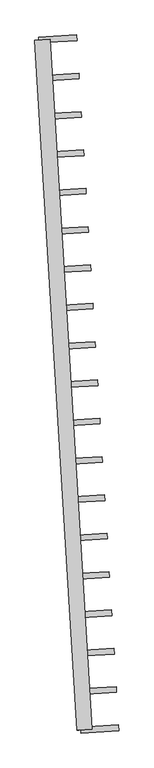
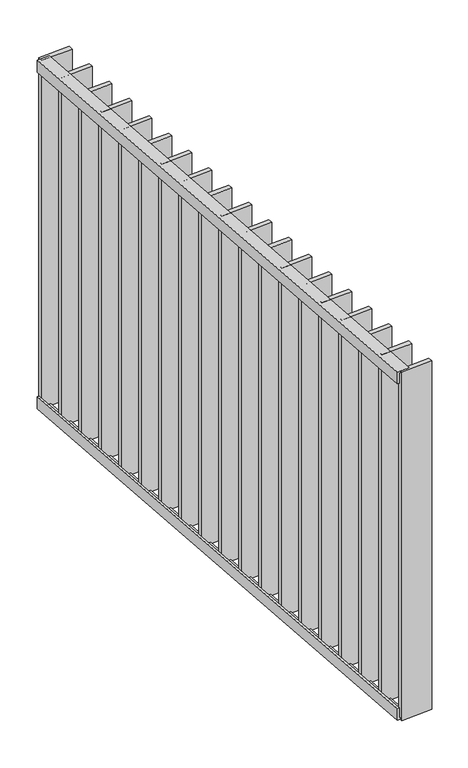
"""IFC4 building model written with IfcOpenShell, lengths in millimetres: railing geometry."""

from ifc_helpers import new_model, si_unit, frame, origin, place, context, project, spatial, polyline, outline, extrude, source, transform, mapped, element, save


def railing_f7475216(model_context):
    return source(origin(), model_context, "Body", "SweptSolid", [
        extrude(outline(polyline([(-14.0, 6.0), (19.9999999, 6.0), (19.9999999, 0.0), (-20.0, 0.0), (-20.0, 40.0), (-14.0, 40.0), (-14.0, 6.0)])), frame((30027.7447077, 21255.4757864, 8000.0), z_axis=(-0.06104853953738109, 0.9981347984217126, 0.0), x_axis=(0.9981347984217126, 0.06104853953738109, 0.0)), (0.0, 0.0, 1.0), 1810.0),
        extrude(outline(polyline([(-14.0, -6.0), (-14.0, -40.0), (-20.0, -40.0), (-20.0, 0.0), (19.9999999, 0.0), (19.9999999, -6.0), (-14.0, -6.0)])), frame((30027.7447077, 21255.4757864, 6820.0), z_axis=(-0.06104853953738109, 0.9981347984217126, 0.0), x_axis=(0.9981347984217126, 0.06104853953738109, 0.0)), (0.0, 0.0, 1.0), 1810.0),
        extrude(outline(polyline([(29913.862137, 22953.635276), (29912.9464089, 22968.607298), (30012.7598887, 22974.7121519), (30013.6756168, 22959.7401299), (29913.862137, 22953.635276)])), frame((0.0, 0.0, 6819.9), z_axis=(0.0, 0.0, 1.0), x_axis=(1.0, 0.0, 0.0)), (0.0, 0.0, 1.0), 1180.2),
        extrude(outline(polyline([(29920.0009068, 22853.2672768), (29919.0851787, 22868.2392988), (30018.8986585, 22874.3441528), (30019.8143866, 22859.3721308), (29920.0009068, 22853.2672768)])), frame((0.0, 0.0, 6819.9), z_axis=(0.0, 0.0, 1.0), x_axis=(1.0, 0.0, 0.0)), (0.0, 0.0, 1.0), 1180.2),
        extrude(outline(polyline([(29926.1396766, 22752.8992776), (29925.2239485, 22767.8712996), (30025.0374283, 22773.9761536), (30025.9531564, 22759.0041316), (29926.1396766, 22752.8992776)])), frame((0.0, 0.0, 6819.9), z_axis=(0.0, 0.0, 1.0), x_axis=(1.0, 0.0, 0.0)), (0.0, 0.0, 1.0), 1180.2),
        extrude(outline(polyline([(29932.2784464, 22652.5312785), (29931.3627183, 22667.5033004), (30031.1761981, 22673.6081544), (30032.0919262, 22658.6361324), (29932.2784464, 22652.5312785)])), frame((0.0, 0.0, 6819.9), z_axis=(0.0, 0.0, 1.0), x_axis=(1.0, 0.0, 0.0)), (0.0, 0.0, 1.0), 1180.2),
        extrude(outline(polyline([(29938.4172162, 22552.1632793), (29937.5014881, 22567.1353013), (30037.314968, 22573.2401552), (30038.230696, 22558.2681333), (29938.4172162, 22552.1632793)])), frame((0.0, 0.0, 6819.9), z_axis=(0.0, 0.0, 1.0), x_axis=(1.0, 0.0, 0.0)), (0.0, 0.0, 1.0), 1180.2),
        extrude(outline(polyline([(29944.555986, 22451.7952801), (29943.6402579, 22466.7673021), (30043.4537378, 22472.8721561), (30044.3694659, 22457.9001341), (29944.555986, 22451.7952801)])), frame((0.0, 0.0, 6819.9), z_axis=(0.0, 0.0, 1.0), x_axis=(1.0, 0.0, 0.0)), (0.0, 0.0, 1.0), 1180.2),
        extrude(outline(polyline([(29950.6947558, 22351.4272809), (29949.7790277, 22366.3993029), (30049.5925076, 22372.5041569), (30050.5082357, 22357.5321349), (29950.6947558, 22351.4272809)])), frame((0.0, 0.0, 6819.9), z_axis=(0.0, 0.0, 1.0), x_axis=(1.0, 0.0, 0.0)), (0.0, 0.0, 1.0), 1180.2),
        extrude(outline(polyline([(29956.8335256, 22251.0592818), (29955.9177975, 22266.0313037), (30055.7312774, 22272.1361577), (30056.6470055, 22257.1641357), (29956.8335256, 22251.0592818)])), frame((0.0, 0.0, 6819.9), z_axis=(0.0, 0.0, 1.0), x_axis=(1.0, 0.0, 0.0)), (0.0, 0.0, 1.0), 1180.2),
        extrude(outline(polyline([(29962.9722954, 22150.6912826), (29962.0565673, 22165.6633046), (30061.8700472, 22171.7681585), (30062.7857753, 22156.7961366), (29962.9722954, 22150.6912826)])), frame((0.0, 0.0, 6819.9), z_axis=(0.0, 0.0, 1.0), x_axis=(1.0, 0.0, 0.0)), (0.0, 0.0, 1.0), 1180.2),
        extrude(outline(polyline([(29969.1110652, 22050.3232834), (29968.1953372, 22065.2953054), (30068.008817, 22071.4001594), (30068.9245451, 22056.4281374), (29969.1110652, 22050.3232834)])), frame((0.0, 0.0, 6819.9), z_axis=(0.0, 0.0, 1.0), x_axis=(1.0, 0.0, 0.0)), (0.0, 0.0, 1.0), 1180.2),
        extrude(outline(polyline([(29975.2498351, 21949.9552842), (29974.334107, 21964.9273062), (30074.1475868, 21971.0321602), (30075.0633149, 21956.0601382), (29975.2498351, 21949.9552842)])), frame((0.0, 0.0, 6819.9), z_axis=(0.0, 0.0, 1.0), x_axis=(1.0, 0.0, 0.0)), (0.0, 0.0, 1.0), 1180.2),
        extrude(outline(polyline([(29981.3886049, 21849.5872851), (29980.4728768, 21864.559307), (30080.2863566, 21870.664161), (30081.2020847, 21855.692139), (29981.3886049, 21849.5872851)])), frame((0.0, 0.0, 6819.9), z_axis=(0.0, 0.0, 1.0), x_axis=(1.0, 0.0, 0.0)), (0.0, 0.0, 1.0), 1180.2),
        extrude(outline(polyline([(29987.5273747, 21749.2192859), (29986.6116466, 21764.1913079), (30086.4251264, 21770.2961618), (30087.3408545, 21755.3241399), (29987.5273747, 21749.2192859)])), frame((0.0, 0.0, 6819.9), z_axis=(0.0, 0.0, 1.0), x_axis=(1.0, 0.0, 0.0)), (0.0, 0.0, 1.0), 1180.2),
        extrude(outline(polyline([(29993.6661445, 21648.8512867), (29992.7504164, 21663.8233087), (30092.5638962, 21669.9281627), (30093.4796243, 21654.9561407), (29993.6661445, 21648.8512867)])), frame((0.0, 0.0, 6819.9), z_axis=(0.0, 0.0, 1.0), x_axis=(1.0, 0.0, 0.0)), (0.0, 0.0, 1.0), 1180.2),
        extrude(outline(polyline([(29999.8049143, 21548.4832875), (29998.8891862, 21563.4553095), (30098.702666, 21569.5601635), (30099.6183941, 21554.5881415), (29999.8049143, 21548.4832875)])), frame((0.0, 0.0, 6819.9), z_axis=(0.0, 0.0, 1.0), x_axis=(1.0, 0.0, 0.0)), (0.0, 0.0, 1.0), 1180.2),
        extrude(outline(polyline([(30005.9436841, 21448.1152884), (30005.027956, 21463.0873103), (30104.8414359, 21469.1921643), (30105.7571639, 21454.2201423), (30005.9436841, 21448.1152884)])), frame((0.0, 0.0, 6819.9), z_axis=(0.0, 0.0, 1.0), x_axis=(1.0, 0.0, 0.0)), (0.0, 0.0, 1.0), 1180.2),
        extrude(outline(polyline([(30012.0824539, 21347.7472892), (30011.1667258, 21362.7193112), (30110.9802057, 21368.8241651), (30111.8959338, 21353.8521432), (30012.0824539, 21347.7472892)])), frame((0.0, 0.0, 6819.9), z_axis=(0.0, 0.0, 1.0), x_axis=(1.0, 0.0, 0.0)), (0.0, 0.0, 1.0), 1180.2),
        extrude(outline(polyline([(29907.7233672, 23054.0032752), (29906.8076391, 23068.9752971), (30006.6211189, 23075.0801511), (30007.536847, 23060.1081291), (29907.7233672, 23054.0032752)])), frame((0.0, 0.0, 6819.9), z_axis=(0.0, 0.0, 1.0), x_axis=(1.0, 0.0, 0.0)), (0.0, 0.0, 1.0), 1180.2),
        extrude(outline(polyline([(30018.2212237, 21247.37929), (30017.3054956, 21262.351312), (30117.1189755, 21268.456166), (30118.0347036, 21253.484144), (30018.2212237, 21247.37929)])), frame((0.0, 0.0, 6819.9), z_axis=(0.0, 0.0, 1.0), x_axis=(1.0, 0.0, 0.0)), (0.0, 0.0, 1.0), 1180.2),
    ])


if __name__ == "__main__":
    model = new_model("IFC4")
    model_context = context("Model", 3, world=origin())
    ifc_project = project(units=[si_unit("LENGTHUNIT", "METRE", prefix="MILLI")], contexts=[model_context])
    site = spatial("IfcSite", under=ifc_project)
    building = spatial("IfcBuilding", under=site)
    placement = place(None, origin())
    railing_shape = railing_f7475216(model_context)
    element("IfcRailing", 1, at=placement, inside=building, context=model_context, shape_type="MappedRepresentation", body=[
        mapped(railing_shape, transform((0.0, 0.0, 0.0), x_axis=(1.0, 0.0, 0.0), y_axis=(0.0, 1.0, 0.0), z_axis=(0.0, 0.0, 1.0))),
    ])
    save(model, "model.ifc")
